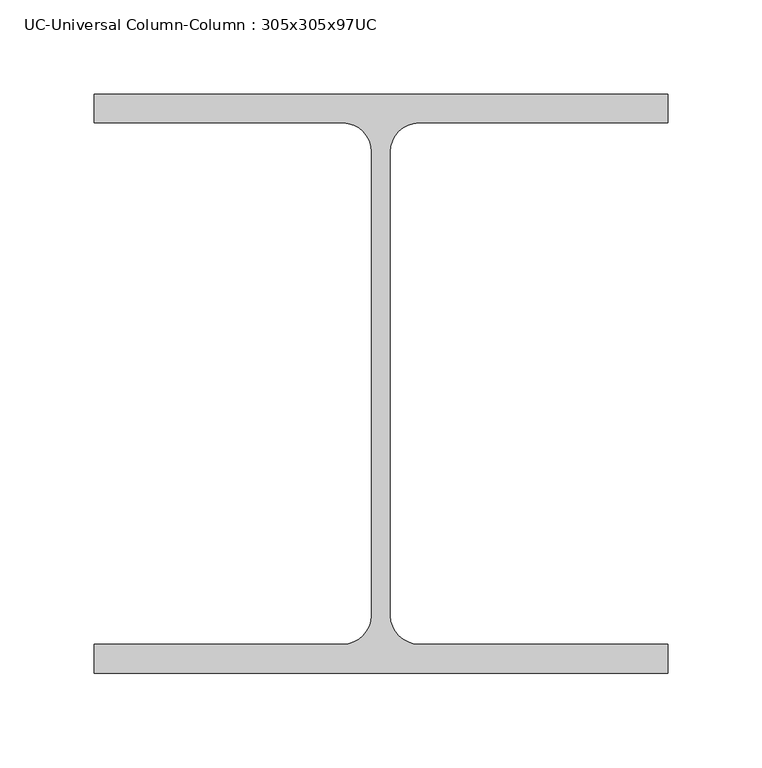
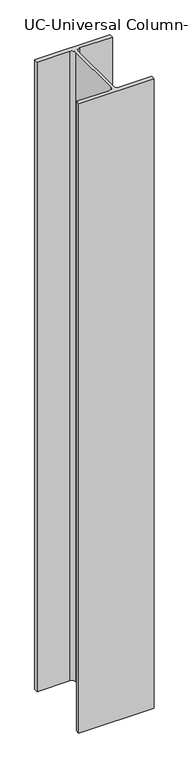
"""IFC4 building model written with IfcOpenShell, lengths in millimetres: column geometry, UC-Universal Column-Column : 305x305x97UC."""

from ifc_helpers import new_model, si_unit, point, frame, frame_2d, origin, place, context, project, spatial, polyline, circle_curve, trimmed, segment, composite_curve, outline, extrude, source, transform, mapped, element, save


def uc_universal_column_column_305x305x97uc_12100924(model_context):
    return source(origin(), model_context, "Body", "SweptSolid", [
        extrude(outline(composite_curve([segment(polyline([(152.65, 153.95), (152.65, 138.55), (20.15, 138.55)]), True, "CONTINUOUS"), segment(trimmed(circle_curve(frame_2d((20.15, 123.35)), 15.2), [point((20.15, 138.55))], [point((4.95, 123.35))], True, "CARTESIAN"), True, "CONTINUOUS"), segment(polyline([(4.95, 123.35), (4.95, -123.35)]), True, "CONTINUOUS"), segment(trimmed(circle_curve(frame_2d((20.15, -123.35)), 15.2), [point((4.95, -123.35))], [point((20.15, -138.55))], True, "CARTESIAN"), True, "CONTINUOUS"), segment(polyline([(20.15, -138.55), (152.65, -138.55), (152.65, -153.95), (-152.65, -153.95), (-152.65, -138.55), (-20.15, -138.55)]), True, "CONTINUOUS"), segment(trimmed(circle_curve(frame_2d((-20.15, -123.35)), 15.2), [point((-20.15, -138.55))], [point((-4.95, -123.35))], True, "CARTESIAN"), True, "CONTINUOUS"), segment(polyline([(-4.95, -123.35), (-4.95, 123.35)]), True, "CONTINUOUS"), segment(trimmed(circle_curve(frame_2d((-20.15, 123.35)), 15.2), [point((-4.95, 123.35))], [point((-20.15, 138.55))], True, "CARTESIAN"), True, "CONTINUOUS"), segment(polyline([(-20.15, 138.55), (-152.65, 138.55), (-152.65, 153.95), (152.65, 153.95)]), True, "CONTINUOUS")], self_intersect=False)), frame((0.0, 0.0, 12962.0), z_axis=(0.0, 0.0, 1.0), x_axis=(1.0, 0.0, 0.0)), (0.0, 0.0, 1.0), 2688.0),
    ])


if __name__ == "__main__":
    model = new_model("IFC4")
    model_context = context("Model", 3, world=origin())
    ifc_project = project(units=[si_unit("LENGTHUNIT", "METRE", prefix="MILLI")], contexts=[model_context])
    site = spatial("IfcSite", under=ifc_project)
    building = spatial("IfcBuilding", under=site)
    placement = place(None, origin())
    uc_universal_column_column_305x305x97uc_shape = uc_universal_column_column_305x305x97uc_12100924(model_context)
    element("IfcColumn", 1, ObjectType="UC-Universal Column-Column : 305x305x97UC", at=placement, inside=building, context=model_context, shape_type="MappedRepresentation", body=[
        mapped(uc_universal_column_column_305x305x97uc_shape, transform((0.0, 0.0, 0.0), x_axis=(1.0, 0.0, 0.0), y_axis=(0.0, 1.0, 0.0), z_axis=(0.0, 0.0, 1.0))),
    ])
    save(model, "model.ifc")
